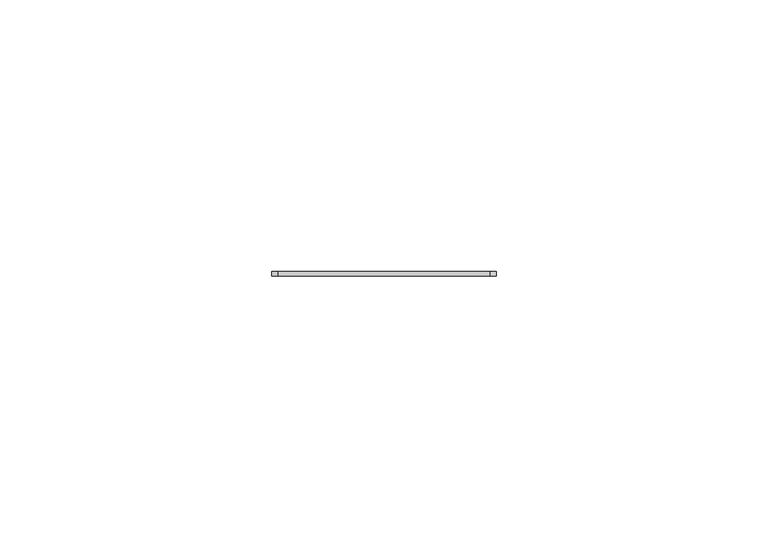
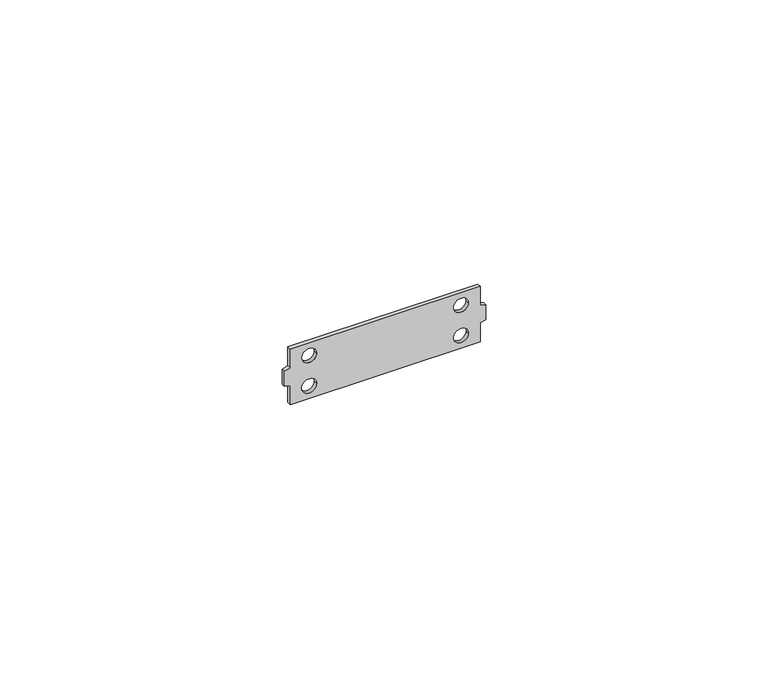
"""IFC4 building model written with IfcOpenShell, lengths in millimetres: proxy geometry."""

from ifc_helpers import new_model, si_unit, point, frame, frame_2d, origin, place, context, project, spatial, polyline, circle_curve, trimmed, segment, composite_curve, outline, extrude, source, transform, mapped, element, save


def generic_models_324dab37(model_context):
    return source(origin(), model_context, "Body", "SweptSolid", [
        extrude(outline(polyline([(12.0, -19.4169636), (7.9187529, -19.4169636), (7.603434, -20.59375), (4.396566, -20.59375), (4.0812471, -19.4169636), (0.0, -19.4169636), (0.0, 19.4169636), (4.0812471, 19.4169636), (4.396566, 20.59375), (7.603434, 20.59375), (7.9187529, 19.4169636), (12.0, 19.4169636), (12.0, -19.4169636)]), holes=[composite_curve([segment(trimmed(circle_curve(frame_2d((9.2802939, -15.5244646)), 1.5098629), [point((9.2802939, -14.0146017))], [point((9.2802939, -17.0343276))], True, "CARTESIAN"), True, "CONTINUOUS"), segment(trimmed(circle_curve(frame_2d((9.2802939, -15.5244646)), 1.5098629), [point((9.2802939, -17.0343276))], [point((9.2802939, -14.0146017))], True, "CARTESIAN"), True, "CONTINUOUS")], self_intersect=False), composite_curve([segment(trimmed(circle_curve(frame_2d((2.7197061, -15.5244646)), 1.5165453), [point((2.7197061, -14.0079194))], [point((2.7197061, -17.0410099))], True, "CARTESIAN"), True, "CONTINUOUS"), segment(trimmed(circle_curve(frame_2d((2.7197061, -15.5244646)), 1.5165453), [point((2.7197061, -17.0410099))], [point((2.7197061, -14.0079194))], True, "CARTESIAN"), True, "CONTINUOUS")], self_intersect=False), composite_curve([segment(trimmed(circle_curve(frame_2d((9.2802939, 15.5244646)), 1.5098629), [point((9.2802939, 14.0146017))], [point((9.2802939, 17.0343276))], True, "CARTESIAN"), True, "CONTINUOUS"), segment(trimmed(circle_curve(frame_2d((9.2802939, 15.5244646)), 1.5098629), [point((9.2802939, 17.0343276))], [point((9.2802939, 14.0146017))], True, "CARTESIAN"), True, "CONTINUOUS")], self_intersect=False), composite_curve([segment(trimmed(circle_curve(frame_2d((2.7197061, 15.5244646)), 1.5165453), [point((2.7197061, 14.0079194))], [point((2.7197061, 17.0410099))], True, "CARTESIAN"), True, "CONTINUOUS"), segment(trimmed(circle_curve(frame_2d((2.7197061, 15.5244646)), 1.5165453), [point((2.7197061, 17.0410099))], [point((2.7197061, 14.0079194))], True, "CARTESIAN"), True, "CONTINUOUS")], self_intersect=False)]), frame((0.0, -0.8, 0.0), z_axis=(0.0, 1.0, 0.0), x_axis=(0.0, 0.0, 1.0)), (0.0, 0.0, 1.0), 0.8),
    ])


if __name__ == "__main__":
    model = new_model("IFC4")
    model_context = context("Model", 3, world=origin())
    ifc_project = project(units=[si_unit("LENGTHUNIT", "METRE", prefix="MILLI")], contexts=[model_context])
    site = spatial("IfcSite", under=ifc_project)
    building = spatial("IfcBuilding", under=site)
    placement = place(None, origin())
    generic_models_shape = generic_models_324dab37(model_context)
    element("IfcBuildingElementProxy", 1, Name="Generic Models", at=placement, inside=building, context=model_context, shape_type="MappedRepresentation", body=[
        mapped(generic_models_shape, transform((0.0, 0.0, 0.0), x_axis=(1.0, 0.0, 0.0), y_axis=(0.0, 1.0, 0.0), z_axis=(0.0, 0.0, 1.0))),
    ])
    save(model, "model.ifc")
